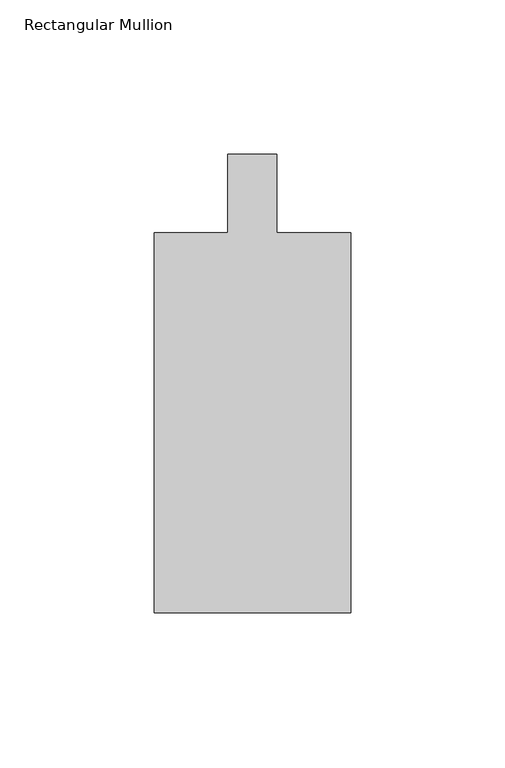
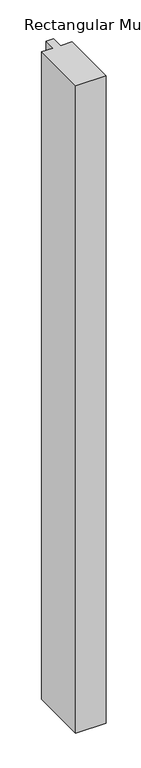
"""IFC4 building model written with IfcOpenShell, lengths in millimetres: member geometry, Rectangular Mullion."""

from ifc_helpers import new_model, si_unit, frame, origin, place, context, project, spatial, polyline, outline, extrude, source, transform, mapped, element, save


def rectangular_mullion_a0d629c6(model_context):
    return source(origin(), model_context, "Body", "SweptSolid", [
        extrude(outline(polyline([(-31.75, -135.73125), (-31.75, -12.7), (-7.9375, -12.7), (-7.9375, 12.7), (7.9375, 12.7), (7.9375, -12.7), (31.75, -12.7), (31.75, -135.73125), (-31.75, -135.73125)])), frame((0.0, 0.0, -1428.75), z_axis=(0.0, 0.0, 1.0), x_axis=(1.0, 0.0, 0.0)), (0.0, 0.0, 1.0), 1428.75),
    ])


if __name__ == "__main__":
    model = new_model("IFC4")
    model_context = context("Model", 3, world=origin())
    ifc_project = project(units=[si_unit("LENGTHUNIT", "METRE", prefix="MILLI")], contexts=[model_context])
    site = spatial("IfcSite", under=ifc_project)
    building = spatial("IfcBuilding", under=site)
    placement = place(None, origin())
    rectangular_mullion_shape = rectangular_mullion_a0d629c6(model_context)
    element("IfcMember", 1, ObjectType="Rectangular Mullion", at=placement, inside=building, context=model_context, shape_type="MappedRepresentation", body=[
        mapped(rectangular_mullion_shape, transform((0.0, 0.0, 0.0), x_axis=(1.0, 0.0, 0.0), y_axis=(0.0, 1.0, 0.0), z_axis=(0.0, 0.0, 1.0))),
    ])
    save(model, "model.ifc")
